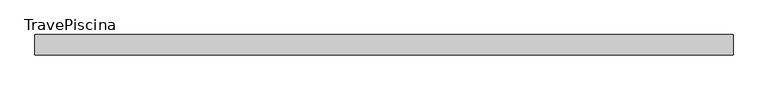
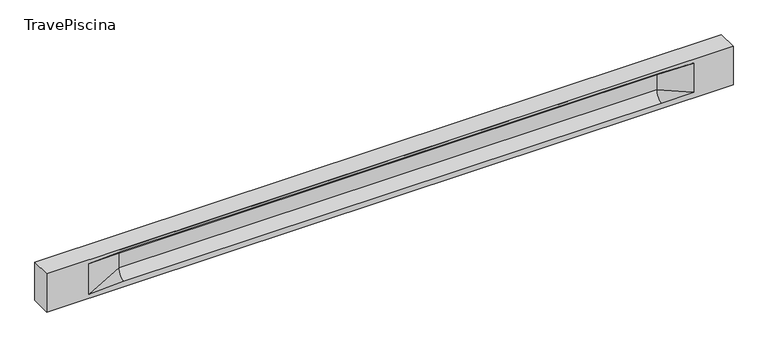
"""IFC4 building model written with IfcOpenShell, lengths in millimetres: beam geometry, TravePiscina."""

import ifcopenshell
import ifcopenshell.guid

model = None  # the IFC model being written
_history = None  # IfcOwnerHistory: only IFC2X3 demands one
_inside = {}  # id of a spatial element -> (the spatial element, [elements in it])
_under = {}  # id of a project, library or spatial element -> (it, [spatial elements below it])
_declared = {}  # id of a project -> (the project, [libraries it declares])
_typed = {}  # id of a type object -> (the type object, [elements of that type])
_made_of = {}  # id of a material, layer set ... -> (it, [elements and type objects made of it])


def new_model(schema):
    """Start an empty IFC model of exactly this schema.

    Asked for "IFC4X3", IfcOpenShell would pick the latest addendum, in which some entities
    have other attributes; the version numbers below select the first issue.
    IFC2X3 requires an IfcOwnerHistory on every rooted entity: one is made here for all.
    """
    global model, _history
    if schema == "IFC4X3":
        model = ifcopenshell.file(schema_version=(4, 3, 0, 0))
    else:
        model = ifcopenshell.file(schema=schema)
    _inside.clear()
    _under.clear()
    _declared.clear()
    _typed.clear()
    _made_of.clear()
    _history = None
    if model.schema == "IFC2X3":
        org = make("IfcOrganization", Name="unknown")
        user = make(
            "IfcPersonAndOrganization",
            ThePerson=make("IfcPerson", FamilyName="unknown"),
            TheOrganization=org,
        )
        app = make(
            "IfcApplication",
            ApplicationDeveloper=org,
            Version="unknown",
            ApplicationFullName="unknown",
            ApplicationIdentifier="unknown",
        )
        _history = make(
            "IfcOwnerHistory",
            OwningUser=user,
            OwningApplication=app,
            ChangeAction="ADDED",
            CreationDate=0,
        )
    return model


def make(cls, **values):
    """One entity of the class cls with the attributes given. An attribute that is None is left unset."""
    return model.create_entity(
        cls, **{name: value for name, value in values.items() if value is not None}
    )


def rooted(cls, **values):
    """An entity with a GlobalId (a new one), such as an element, a storey or a relation."""
    return make(cls, GlobalId=ifcopenshell.guid.new(), OwnerHistory=_history, **values)


def si_unit(unit_type, name, prefix=None):
    """IfcSIUnit, for example si_unit("LENGTHUNIT", "METRE", prefix="MILLI")."""
    return make("IfcSIUnit", UnitType=unit_type, Prefix=prefix, Name=name)


def assignment(units):
    """IfcUnitAssignment: the units of a project."""
    return None if units is None else make("IfcUnitAssignment", Units=units)


def point(xyz):
    """IfcCartesianPoint."""
    return None if xyz is None else make("IfcCartesianPoint", Coordinates=xyz)


def direction(xyz):
    """IfcDirection."""
    return None if xyz is None else make("IfcDirection", DirectionRatios=xyz)


def frame(location, z_axis=None, x_axis=None):
    """IfcAxis2Placement3D, a coordinate frame: its origin and axes. An axis left out is left unset."""
    return make(
        "IfcAxis2Placement3D",
        Location=point(location),
        Axis=direction(z_axis),
        RefDirection=direction(x_axis),
    )


def origin():
    """The frame at (0, 0, 0) with its axes left unset."""
    return frame((0.0, 0.0, 0.0))


def place(relative_to, where):
    """IfcLocalPlacement: puts the frame where relative to a parent placement (None: the world)."""
    return make(
        "IfcLocalPlacement", PlacementRelTo=relative_to, RelativePlacement=where
    )


def context(
    kind, dimensions, precision=None, world=None, true_north=None, identifier=None
):
    """IfcGeometricRepresentationContext, for example the 3D "Model" context."""
    return make(
        "IfcGeometricRepresentationContext",
        ContextIdentifier=identifier,
        ContextType=kind,
        CoordinateSpaceDimension=dimensions,
        Precision=precision,
        WorldCoordinateSystem=world,
        TrueNorth=true_north,
    )


def project(units=None, contexts=None):
    """IfcProject with its units and contexts."""
    return rooted(
        "IfcProject",
        Name="project",
        RepresentationContexts=contexts,
        UnitsInContext=assignment(units),
    )


def spatial(cls, under=None, at=None, **own):
    """A site, building, storey or space (cls), placed at a placement, below another one or the project."""
    s = rooted(cls, ObjectPlacement=at, **own)
    if under is not None:
        _under.setdefault(under.id(), (under, []))[1].append(s)
    return s


def polyline(points):
    """IfcPolyline through the points."""
    return make("IfcPolyline", Points=[point(p) for p in points])


def circle_curve(where, radius):
    """IfcCircle in the frame where."""
    return make("IfcCircle", Position=where, Radius=radius)


def shape(context_of_items, identifier, shape_type, items):
    """IfcShapeRepresentation: the items that make up one representation, for example the "Body"."""
    return make(
        "IfcShapeRepresentation",
        ContextOfItems=context_of_items,
        RepresentationIdentifier=identifier,
        RepresentationType=shape_type,
        Items=items,
    )


def source(mapping_origin, context_of_items, identifier, shape_type, items):
    """IfcRepresentationMap: a shape defined once, which mapped items show again and again."""
    return make(
        "IfcRepresentationMap",
        MappingOrigin=mapping_origin,
        MappedRepresentation=shape(context_of_items, identifier, shape_type, items),
    )


def transform(
    local_origin,
    x_axis=None,
    y_axis=None,
    z_axis=None,
    scale=None,
    scale2=None,
    scale3=None,
    uniform=True,
):
    """IfcCartesianTransformationOperator3D, or its non-uniform kind. x_axis, y_axis, z_axis: its Axis1, 2, 3."""
    if uniform:
        return make(
            "IfcCartesianTransformationOperator3D",
            Axis1=direction(x_axis),
            Axis2=direction(y_axis),
            LocalOrigin=point(local_origin),
            Scale=scale,
            Axis3=direction(z_axis),
        )
    return make(
        "IfcCartesianTransformationOperator3DnonUniform",
        Axis1=direction(x_axis),
        Axis2=direction(y_axis),
        LocalOrigin=point(local_origin),
        Scale=scale,
        Axis3=direction(z_axis),
        Scale2=scale2,
        Scale3=scale3,
    )


def mapped(mapping_source, mapping_target):
    """IfcMappedItem: shows the shape of a source again, moved by a transform."""
    return make(
        "IfcMappedItem", MappingSource=mapping_source, MappingTarget=mapping_target
    )


def made_of(thing, what):
    """Note that an element or type object is made of a material, layer set ...; save() writes the relation."""
    if what is not None:
        _made_of.setdefault(what.id(), (what, []))[1].append(thing)
    return thing


def element(
    cls,
    number,
    at=None,
    inside=None,
    cuts=None,
    type_object=None,
    material=None,
    context=None,
    identifier="Body",
    shape_type=None,
    held_by="IfcProductDefinitionShape",
    body=None,
    shapes=None,
    **own,
):
    """One element of the class cls, such as IfcWall. Its Tag is "e" and its number.

    at: its placement. inside: the storey or other place that contains it. cuts: it is an
    opening in that element (IfcRelVoidsElement). A single representation is given by context,
    identifier, shape_type and body (its items); several are given by shapes. held_by: the class
    of the entity that holds the representations. save() writes the other relations.
    """
    e = rooted(cls, Tag="e%d" % number, ObjectPlacement=at, **own)
    if body is not None:
        shapes = [shape(context, identifier, shape_type, body)]
    if shapes is not None:
        e.Representation = make(held_by, Representations=shapes)
    if inside is not None:
        _inside.setdefault(inside.id(), (inside, []))[1].append(e)
    if cuts is not None:
        rooted(
            "IfcRelVoidsElement", RelatingBuildingElement=cuts, RelatedOpeningElement=e
        )
    if type_object is not None:
        _typed.setdefault(type_object.id(), (type_object, []))[1].append(e)
    return made_of(e, material)


def aggregate(whole, parts):
    """IfcRelAggregates: a whole, such as a stair, and the parts it consists of."""
    return rooted("IfcRelAggregates", RelatingObject=whole, RelatedObjects=parts)


def save(model, path):
    """Write the relations noted so far, then the file.

    IfcRelAggregates (storeys below a building ...), IfcRelContainedInSpatialStructure (elements
    in a storey), IfcRelDefinesByType, IfcRelAssociatesMaterial and IfcRelDeclares: one each for
    every whole, place, type object, material and project.
    """
    for whole, parts in _under.values():
        aggregate(whole, parts)
    for where, things in _inside.values():
        rooted(
            "IfcRelContainedInSpatialStructure",
            RelatedElements=things,
            RelatingStructure=where,
        )
    for kind, things in _typed.values():
        rooted("IfcRelDefinesByType", RelatedObjects=things, RelatingType=kind)
    for what, things in _made_of.values():
        rooted("IfcRelAssociatesMaterial", RelatedObjects=things, RelatingMaterial=what)
    for by, libraries in _declared.values():
        rooted("IfcRelDeclares", RelatingContext=by, RelatedDefinitions=libraries)
    model.write(path)


def plane_surface(at):
    """IfcPlane: the flat surface through the origin of the frame at, square to its z axis."""
    return make("IfcPlane", Position=at)


def revolved_surface(curve, axis_point, axis_direction):
    """IfcSurfaceOfRevolution: the curve turned about the line through axis_point along axis_direction."""
    return make(
        "IfcSurfaceOfRevolution",
        SweptCurve=make("IfcArbitraryOpenProfileDef", ProfileType="CURVE", Curve=curve),
        AxisPosition=make("IfcAxis1Placement", Location=point(axis_point), Axis=direction(axis_direction)),
    )


def spline_surface(u_degree, v_degree, points, u_multiplicities, v_multiplicities, u_knots, v_knots, weights=None):
    """IfcBSplineSurfaceWithKnots; with weights, IfcRationalBSplineSurfaceWithKnots. points: one row for each step in u."""
    own = dict(
        UDegree=u_degree,
        VDegree=v_degree,
        ControlPointsList=[[point(p) for p in row] for row in points],
        SurfaceForm="UNSPECIFIED",
        UClosed=False,
        VClosed=False,
        SelfIntersect=False,
        UMultiplicities=u_multiplicities,
        VMultiplicities=v_multiplicities,
        UKnots=u_knots,
        VKnots=v_knots,
        KnotSpec="UNSPECIFIED",
    )
    if weights is None:
        return make("IfcBSplineSurfaceWithKnots", **own)
    return make("IfcRationalBSplineSurfaceWithKnots", WeightsData=weights, **own)


def advanced_brep(points, edges, surfaces, faces):
    """IfcAdvancedBrep: a solid bounded by faces that lie on surfaces and meet in shared edges.

    An edge is (start, end): straight between two places in points (the first is 0);
    or (start, end, curve); or (start, end, curve, False) where it runs against its curve.
    A face is (place in surfaces, loops), or (place, loops, False) where it looks against
    its surface's normal. A loop lists edges by number (the first is 1), with a minus sign
    where the edge is run from its end to its start. The first loop is the outer one.
    """
    corners = [point(p) for p in points]
    vertices = [make("IfcVertexPoint", VertexGeometry=c) for c in corners]
    made = []
    for start, end, *more in edges:
        made.append(
            make(
                "IfcEdgeCurve",
                EdgeStart=vertices[start],
                EdgeEnd=vertices[end],
                EdgeGeometry=more[0] if more else make("IfcPolyline", Points=[corners[start], corners[end]]),
                SameSense=more[1] if len(more) > 1 else True,
            )
        )
    hull = []
    for where, loops, *sense in faces:
        bounds = []
        for j, loop in enumerate(loops):
            ring = [make("IfcOrientedEdge", EdgeElement=made[abs(k) - 1], Orientation=k > 0) for k in loop]
            bounds.append(
                make(
                    "IfcFaceOuterBound" if j == 0 else "IfcFaceBound",
                    Bound=make("IfcEdgeLoop", EdgeList=ring),
                    Orientation=True,
                )
            )
        hull.append(make("IfcAdvancedFace", Bounds=bounds, FaceSurface=surfaces[where], SameSense=sense[0] if sense else True))
    return make("IfcAdvancedBrep", Outer=make("IfcClosedShell", CfsFaces=hull))


def travepiscina_6c31137f(model_context):
    return source(origin(), model_context, "Body", "AdvancedBrep", [
        advanced_brep(
        [(8497.0, -250.0, 500.0), (8497.0, -250.0, -500.0), (8497.0, 250.0, -500.0), (8497.0, 250.0, 500.0), (-8497.0, -250.0, 500.0), (-8497.0, -250.0, -500.0), (7522.0, -250.0, -362.0), (6722.0, -250.0, -360.0), (-6597.0, -250.0, -360.0), (-7447.0, -250.0, -400.0), (-7447.0, -250.0, 400.0), (-6597.0, -250.0, 435.0), (6722.0, -250.0, 435.0), (7522.0, -250.0, 400.0), (-8497.0, 250.0, -500.0), (-8497.0, 250.0, 500.0), (7522.0, 250.0, 400.0), (6722.0, 250.0, 435.0), (-6597.0, 250.0, 435.0), (-7447.0, 250.0, 400.0), (-7447.0, 250.0, -400.0), (-6597.0, 250.0, -360.0), (6722.0, 250.0, -360.0), (7522.0, 250.0, -362.0), (6722.0, 155.0, 405.0), (-6597.0, 155.0, 405.0), (-6597.0, -60.0, 262.777021), (6722.0, -60.0, 262.777021), (6722.0, -155.0, 405.0), (-6597.0, -155.0, 405.0), (-6597.0, 60.0, 262.777021), (6722.0, 60.0, 262.777021), (6722.0, 60.0, -120.0), (-6597.0, 60.0, -120.0), (-6597.0, -60.0, -120.0), (6722.0, -60.0, -120.0)],
        [
            (0, 1),
            (1, 2),
            (2, 3),
            (3, 0),
            (0, 4),
            (4, 5),
            (5, 1),
            (6, 7),
            (7, 8),
            (8, 9),
            (9, 10),
            (10, 11),
            (11, 12),
            (12, 13),
            (13, 6),
            (5, 14),
            (14, 2),
            (14, 15),
            (15, 3),
            (16, 17),
            (17, 18),
            (18, 19),
            (19, 20),
            (20, 21),
            (21, 22),
            (22, 23),
            (23, 16),
            (15, 4),
            (17, 24),
            (24, 25),
            (25, 18),
            (26, 27),
            (27, 28, circle_curve(frame((6722.0, -213.9598725, 262.777021), z_axis=(1.0, 0.0, 0.0), x_axis=(0.0, 1.0, 0.0)), 153.9598725)),
            (28, 29),
            (29, 26, circle_curve(frame((-6597.0, -213.9598725, 262.777021), z_axis=(-1.0, 0.0, 0.0), x_axis=(0.0, 1.0, 0.0)), 153.9598725)),
            (30, 31),
            (31, 32),
            (32, 33),
            (33, 30),
            (28, 12),
            (11, 29),
            (34, 35),
            (35, 27),
            (26, 34),
            (25, 19),
            (22, 32, circle_curve(frame((6722.0, 306.5789474, -120.0), z_axis=(-1.0, 0.0, 0.0), x_axis=(0.0, 1.0, 0.0)), 246.5789474)),
            (32, 23),
            (10, 29),
            (10, 26),
            (13, 28),
            (27, 13),
            (30, 19),
            (25, 30, circle_curve(frame((-6597.0, 213.9598725, 262.777021), z_axis=(1.0, 0.0, 0.0), x_axis=(0.0, 1.0, 0.0)), 153.9598725)),
            (9, 34),
            (8, 34, circle_curve(frame((-6597.0, -306.5789474, -120.0), z_axis=(1.0, 0.0, 0.0), x_axis=(0.0, 1.0, 0.0)), 246.5789474)),
            (20, 33),
            (33, 21, circle_curve(frame((-6597.0, 306.5789474, -120.0), z_axis=(1.0, 0.0, 0.0), x_axis=(0.0, 1.0, 0.0)), 246.5789474)),
            (35, 6),
            (35, 7, circle_curve(frame((6722.0, -306.5789474, -120.0), z_axis=(-1.0, 0.0, 0.0), x_axis=(0.0, 1.0, 0.0)), 246.5789474)),
            (31, 16),
            (31, 24, circle_curve(frame((6722.0, 213.9598725, 262.777021), z_axis=(-1.0, 0.0, 0.0), x_axis=(0.0, 1.0, 0.0)), 153.9598725)),
            (24, 16),
        ],
        [
            plane_surface(frame((8497.0, 0.0, 0.0), z_axis=(1.0, 0.0, 0.0), x_axis=(0.0, 0.0, 1.0))),
            plane_surface(frame((8497.0, -250.0, 500.0), z_axis=(0.0, -1.0, 0.0), x_axis=(-1.0, 0.0, 0.0))),
            plane_surface(frame((8497.0, -250.0, -500.0), z_axis=(0.0, 0.0, -1.0), x_axis=(-1.0, 0.0, 0.0))),
            plane_surface(frame((8497.0, 250.0, -500.0), z_axis=(0.0, 1.0, 0.0), x_axis=(-1.0, 0.0, 0.0))),
            plane_surface(frame((8497.0, 250.0, 500.0), z_axis=(0.0, 0.0, 1.0), x_axis=(-1.0, 0.0, 0.0))),
            plane_surface(frame((-6597.0, 250.0, 435.0), z_axis=(0.0, 0.30113136793710954, -0.9535826651341378), x_axis=(1.0, 0.0, 0.0))),
            plane_surface(frame((-8497.0, 0.0, 0.0), z_axis=(-1.0, 0.0, 0.0), x_axis=(0.0, 0.0, 1.0))),
            revolved_surface(polyline([(6722.0, -60.0, 262.777021), (-6597.0, -60.0, 262.777021)]), (-6597.0, -213.9598725, 262.777021), (1.0, 0.0, 0.0)),
            plane_surface(frame((-6597.0, 60.0, 262.777021), z_axis=(0.0, 1.0, 0.0), x_axis=(1.0, 0.0, 0.0))),
            plane_surface(frame((-6597.0, -155.0, 405.0), z_axis=(0.0, -0.30113136793710693, -0.9535826651341387), x_axis=(1.0, 0.0, 0.0))),
            plane_surface(frame((-6597.0, -60.0, -120.0), z_axis=(0.0, -1.0, 0.0), x_axis=(1.0, 0.0, 0.0))),
            plane_surface(frame((-7447.0, 250.0, 400.0), z_axis=(0.039234934914694146, 0.30089950084952793, -0.9528484193567961), x_axis=(0.0, 0.9535826651341378, 0.30113136793710954))),
            spline_surface(2, 1, [[(6722.0, 250.0, -360.0), (7522.0, 250.0, -362.0)], [(6722.0, 60.00000002887427, -315.20833329480604), (7522.0, 250.0, -362.0)], [(6722.0, 60.0, -120.0), (7522.0, 250.0, -362.0)]], [3, 3], [2, 2], [0.0, 1.0], [0.0, 1.0], weights=[[1.0, 1.0], [0.7840458245391329, 0.7840458245391329], [1.0, 1.0]]),
            plane_surface(frame((-7447.0, -250.0, 400.0), z_axis=(0.03923493491469418, -0.3008995008495253, -0.952848419356797), x_axis=(0.0, 0.9535826651341387, -0.30113136793710693))),
            spline_surface(2, 1, [[(-7447.0, -250.0, 400.0), (-6597.0, -155.0, 405.0)], [(-7447.0, -250.0, 400.0), (-6597.0, -60.00000008030692, 365.6168572114734)], [(-7447.0, -250.0, 400.0), (-6597.0, -60.0, 262.777021)]], [3, 3], [2, 2], [0.0, 1.0], [0.0, 1.0], weights=[[1.0, 1.0], [0.8315515924557569, 0.8315515924557569], [1.0, 1.0]]),
            spline_surface(2, 1, [[(6722.0, -155.0, 405.0), (7522.0, -250.0, 400.0)], [(6722.0, -60.00000008030692, 365.6168572114734), (7522.0, -250.0, 400.0)], [(6722.0, -60.0, 262.777021), (7522.0, -250.0, 400.0)]], [3, 3], [2, 2], [0.0, 1.0], [0.0, 1.0], weights=[[1.0, 1.0], [0.8315515924557569, 0.8315515924557569], [1.0, 1.0]]),
            plane_surface(frame((6722.0, -202.5, 420.0), z_axis=(-0.041682982855687514, -0.30086965068766125, -0.9527538938442274), x_axis=(0.0, 0.9535826651341387, -0.30113136793710693))),
            spline_surface(2, 1, [[(-7447.0, 250.0, 400.0), (-6597.0, 60.0, 262.777021)], [(-7447.0, 250.0, 400.0), (-6597.0, 59.99999995452379, 365.6168572954922)], [(-7447.0, 250.0, 400.0), (-6597.0, 155.0, 405.0)]], [3, 3], [2, 2], [0.0, 1.0], [0.0, 1.0], weights=[[1.0, 1.0], [0.8315515921160737, 0.8315515921160737], [1.0, 1.0]]),
            plane_surface(frame((-7447.0, -250.0, 0.0), z_axis=(0.21814596370705122, -0.9759161534262674, 0.0), x_axis=(0.0, 0.0, -1.0))),
            spline_surface(2, 1, [[(-7447.0, -250.0, -400.0), (-6597.0, -60.0, -120.0)], [(-7447.0, -250.0, -400.0), (-6597.0, -59.99999998020837, -315.20833333333337)], [(-7447.0, -250.0, -400.0), (-6597.0, -250.0, -360.0)]], [3, 3], [2, 2], [0.0, 1.0], [0.0, 1.0], weights=[[1.0, 1.0], [0.7840458244617614, 0.7840458244617614], [1.0, 1.0]]),
            spline_surface(2, 1, [[(-7447.0, 250.0, -400.0), (-6597.0, 250.0, -360.0)], [(-7447.0, 250.0, -400.0), (-6597.0, 60.00000002887427, -315.20833329480604)], [(-7447.0, 250.0, -400.0), (-6597.0, 60.0, -120.0)]], [3, 3], [2, 2], [0.0, 1.0], [0.0, 1.0], weights=[[1.0, 1.0], [0.7840458245391329, 0.7840458245391329], [1.0, 1.0]]),
            plane_surface(frame((-7447.0, 250.0, 0.0), z_axis=(0.21814596370704714, 0.9759161534262684, 0.0), x_axis=(0.0, 0.0, 1.0))),
            plane_surface(frame((6722.0, -60.0, 71.3885105), z_axis=(-0.23107243079589768, -0.9729365507195602, 0.0), x_axis=(0.0, 0.0, -1.0))),
            spline_surface(2, 1, [[(6722.0, -60.0, -120.0), (7522.0, -250.0, -362.0)], [(6722.0, -59.99999998020837, -315.20833333333337), (7522.0, -250.0, -362.0)], [(6722.0, -250.0, -360.0), (7522.0, -250.0, -362.0)]], [3, 3], [2, 2], [0.0, 1.0], [0.0, 1.0], weights=[[1.0, 1.0], [0.7840458244617614, 0.7840458244617614], [1.0, 1.0]]),
            plane_surface(frame((6722.0, 60.0, 71.3885105), z_axis=(-0.2310724307958912, 0.9729365507195616, 0.0), x_axis=(0.0, 0.0, 1.0))),
            spline_surface(2, 1, [[(6722.0, 60.0, 262.777021), (7522.0, 250.0, 400.0)], [(6722.0, 59.99999995452379, 365.6168572954922), (7522.0, 250.0, 400.0)], [(6722.0, 155.0, 405.0), (7522.0, 250.0, 400.0)]], [3, 3], [2, 2], [0.0, 1.0], [0.0, 1.0], weights=[[1.0, 1.0], [0.8315515921160737, 0.8315515921160737], [1.0, 1.0]]),
            plane_surface(frame((6722.0, 202.5, 420.0), z_axis=(-0.04168298285568677, 0.30086965068766386, -0.9527538938442265), x_axis=(0.0, 0.9535826651341378, 0.30113136793710954))),
            revolved_surface(polyline([(6722.0, 367.919745, 262.777021), (-6597.0, 367.919745, 262.777021)]), (-6597.0, 213.9598725, 262.777021), (1.0, 0.0, 0.0)),
            revolved_surface(polyline([(6722.0, 553.1578948, -120.0), (-6597.0, 553.1578948, -120.0)]), (-6597.0, 306.5789474, -120.0), (1.0, 0.0, 0.0)),
            revolved_surface(polyline([(6722.0, -60.0, -120.0), (-6597.0, -60.0, -120.0)]), (-6597.0, -306.5789474, -120.0), (1.0, 0.0, 0.0)),
        ],
        [
            (0, [[1, 2, 3, 4]]),
            (1, [[-1, 5, 6, 7], [8, 9, 10, 11, 12, 13, 14, 15]]),
            (2, [[-2, -7, 16, 17]]),
            (3, [[-3, -17, 18, 19], [20, 21, 22, 23, 24, 25, 26, 27]]),
            (4, [[-5, -4, -19, 28]]),
            (5, [[-21, 29, 30, 31]]),
            (6, [[-28, -18, -16, -6]]),
            (7, [[32, 33, 34, 35]]),
            (8, [[36, 37, 38, 39]]),
            (9, [[-34, 40, -13, 41]]),
            (10, [[42, 43, -32, 44]]),
            (11, [[45, -22, -31]]),
            (12, [[-26, 46, 47]]),
            (13, [[-12, 48, -41]]),
            (14, [[-48, 49, -35]]),
            (15, [[50, -33, 51]]),
            (16, [[-14, -40, -50]]),
            (17, [[52, -45, 53]]),
            (18, [[-49, -11, 54, -44]]),
            (19, [[-54, -10, 55]]),
            (20, [[-24, 56, 57]]),
            (21, [[-52, -39, -56, -23]]),
            (22, [[-51, -43, 58, -15]]),
            (23, [[-58, 59, -8]]),
            (24, [[-47, -37, 60, -27]]),
            (25, [[-60, 61, 62]]),
            (26, [[-62, -29, -20]]),
            (27, [[-30, -61, -36, -53]]),
            (28, [[-38, -46, -25, -57]]),
            (29, [[-9, -59, -42, -55]]),
        ],
    ),
    ])


if __name__ == "__main__":
    model = new_model("IFC4")
    model_context = context("Model", 3, world=origin())
    ifc_project = project(units=[si_unit("LENGTHUNIT", "METRE", prefix="MILLI")], contexts=[model_context])
    site = spatial("IfcSite", under=ifc_project)
    building = spatial("IfcBuilding", under=site)
    placement = place(None, origin())
    travepiscina_shape = travepiscina_6c31137f(model_context)
    element("IfcBeam", 1, ObjectType="TravePiscina", at=placement, inside=building, context=model_context, shape_type="MappedRepresentation", body=[
        mapped(travepiscina_shape, transform((0.0, 0.0, 0.0), x_axis=(1.0, 0.0, 0.0), y_axis=(0.0, 1.0, 0.0), z_axis=(0.0, 0.0, 1.0))),
    ])
    save(model, "model.ifc")
